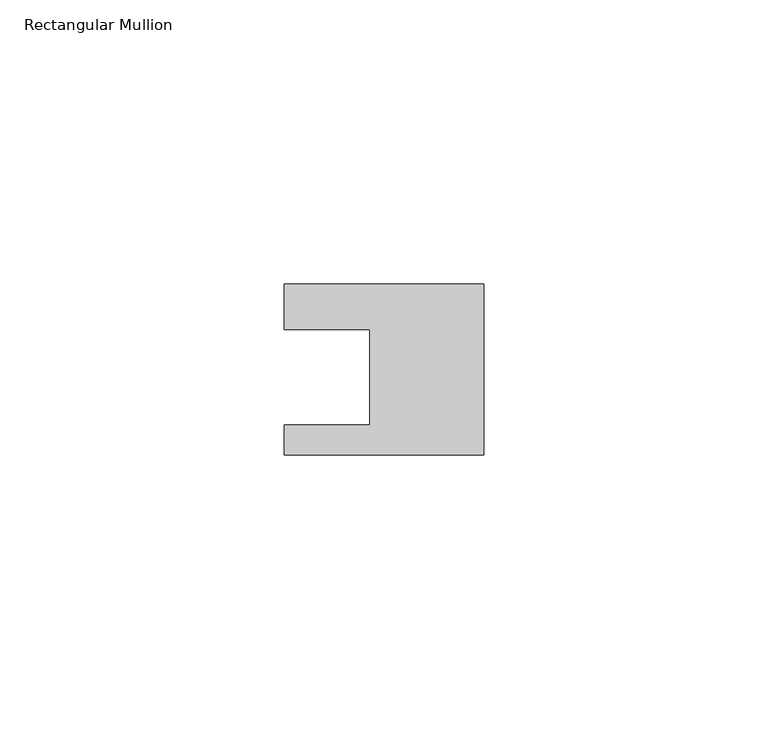
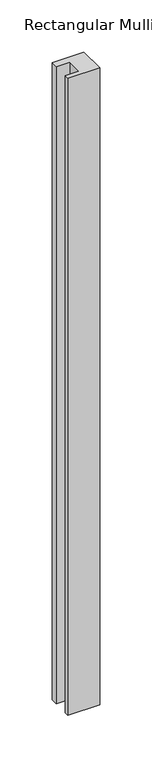
"""IFC4 building model written with IfcOpenShell, lengths in millimetres: member geometry, Rectangular Mullion."""

from ifc_helpers import new_model, si_unit, frame, origin, place, context, project, spatial, polyline, outline, extrude, source, transform, mapped, element, save


def rectangular_mullion_a96b64d5(model_context):
    return source(origin(), model_context, "Body", "SweptSolid", [
        extrude(outline(polyline([(0.0, 7.94), (0.0, -22.06), (-35.0, -22.06), (-35.0, -16.8), (-20.0, -16.8), (-20.0, 0.001), (-35.0, 0.001), (-35.0, 7.94), (0.0, 7.94)])), frame((0.0, 0.0, -745.0561012), z_axis=(0.0, 0.0, 1.0), x_axis=(1.0, 0.0, 0.0)), (0.0, 0.0, 1.0), 745.0561012),
    ])


if __name__ == "__main__":
    model = new_model("IFC4")
    model_context = context("Model", 3, world=origin())
    ifc_project = project(units=[si_unit("LENGTHUNIT", "METRE", prefix="MILLI")], contexts=[model_context])
    site = spatial("IfcSite", under=ifc_project)
    building = spatial("IfcBuilding", under=site)
    placement = place(None, origin())
    rectangular_mullion_shape = rectangular_mullion_a96b64d5(model_context)
    element("IfcMember", 1, ObjectType="Rectangular Mullion", at=placement, inside=building, context=model_context, shape_type="MappedRepresentation", body=[
        mapped(rectangular_mullion_shape, transform((0.0, 0.0, 0.0), x_axis=(1.0, 0.0, 0.0), y_axis=(0.0, 1.0, 0.0), z_axis=(0.0, 0.0, 1.0))),
    ])
    save(model, "model.ifc")
